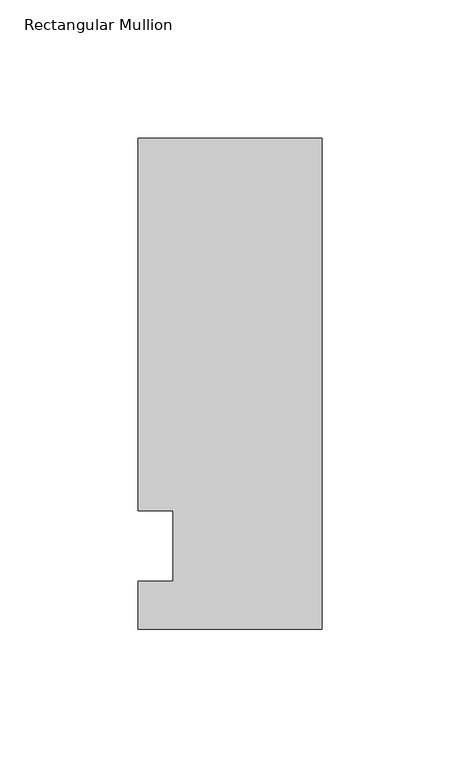
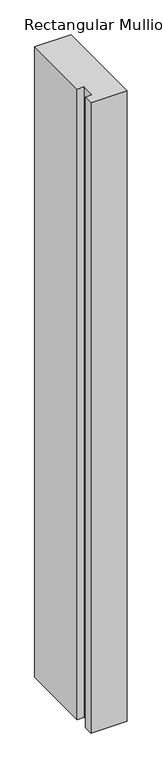
"""IFC4 building model written with IfcOpenShell, lengths in millimetres: member geometry, Rectangular Mullion."""

from ifc_helpers import new_model, si_unit, frame, origin, place, context, project, spatial, polyline, outline, extrude, source, transform, mapped, element, save


def rectangular_mullion_0b3a0e82(model_context):
    return source(origin(), model_context, "Body", "SweptSolid", [
        extrude(outline(polyline([(-66.675, 147.6375), (0.0, 147.6375), (0.0, -30.1625), (-66.675, -30.1625), (-66.675, -12.7), (-53.9732296, -12.7), (-53.9732296, 12.7), (-66.675, 12.7), (-66.675, 147.6375)])), frame((0.0, 0.0, -1219.2), z_axis=(0.0, 0.0, 1.0), x_axis=(1.0, 0.0, 0.0)), (0.0, 0.0, 1.0), 1219.2),
    ])


if __name__ == "__main__":
    model = new_model("IFC4")
    model_context = context("Model", 3, world=origin())
    ifc_project = project(units=[si_unit("LENGTHUNIT", "METRE", prefix="MILLI")], contexts=[model_context])
    site = spatial("IfcSite", under=ifc_project)
    building = spatial("IfcBuilding", under=site)
    placement = place(None, origin())
    rectangular_mullion_shape = rectangular_mullion_0b3a0e82(model_context)
    element("IfcMember", 1, ObjectType="Rectangular Mullion", at=placement, inside=building, context=model_context, shape_type="MappedRepresentation", body=[
        mapped(rectangular_mullion_shape, transform((0.0, 0.0, 0.0), x_axis=(1.0, 0.0, 0.0), y_axis=(0.0, 1.0, 0.0), z_axis=(0.0, 0.0, 1.0))),
    ])
    save(model, "model.ifc")
